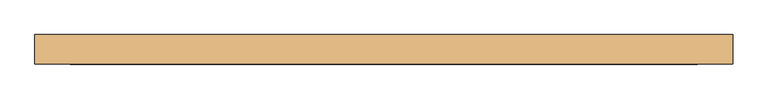
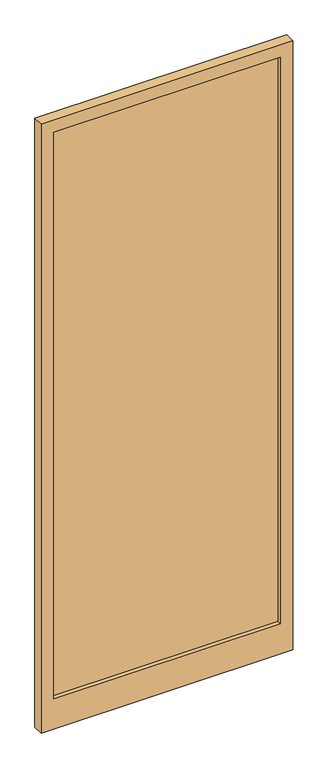
"""IFC4 building model written with IfcOpenShell, lengths in millimetres: door geometry."""

from ifc_helpers import new_model, si_unit, frame, origin, place, context, project, spatial, polyline, outline, extrude, source, transform, mapped, element, save


def door_cbd27d19(model_context):
    return source(origin(), model_context, "Body", "SweptSolid", [
        extrude(outline(polyline([(535.0, -5.0), (-535.0, -5.0), (-535.0, 5.0), (535.0, 5.0), (535.0, -5.0)])), frame((0.0, 0.0, 180.0), z_axis=(0.0, 0.0, 1.0), x_axis=(1.0, 0.0, 0.0)), (0.0, 0.0, 1.0), 2830.0),
        extrude(outline(polyline([(3070.0, 595.0), (3070.0, -595.0), (30.0, -595.0), (30.0, 595.0), (3070.0, 595.0)]), holes=[polyline([(3010.0, 535.0), (180.0, 535.0), (180.0, -535.0), (3010.0, -535.0), (3010.0, 535.0)])]), frame((0.0, -25.0, 0.0), z_axis=(0.0, 1.0, 0.0), x_axis=(0.0, 0.0, 1.0)), (0.0, 0.0, 1.0), 50.0),
    ])


if __name__ == "__main__":
    model = new_model("IFC4")
    model_context = context("Model", 3, world=origin())
    ifc_project = project(units=[si_unit("LENGTHUNIT", "METRE", prefix="MILLI")], contexts=[model_context])
    site = spatial("IfcSite", under=ifc_project)
    building = spatial("IfcBuilding", under=site)
    placement = place(None, origin())
    door_shape = door_cbd27d19(model_context)
    element("IfcDoor", 1, at=placement, inside=building, context=model_context, shape_type="MappedRepresentation", body=[
        mapped(door_shape, transform((0.0, 0.0, 0.0), x_axis=(1.0, 0.0, 0.0), y_axis=(0.0, 1.0, 0.0), z_axis=(0.0, 0.0, 1.0))),
    ])
    save(model, "model.ifc")
